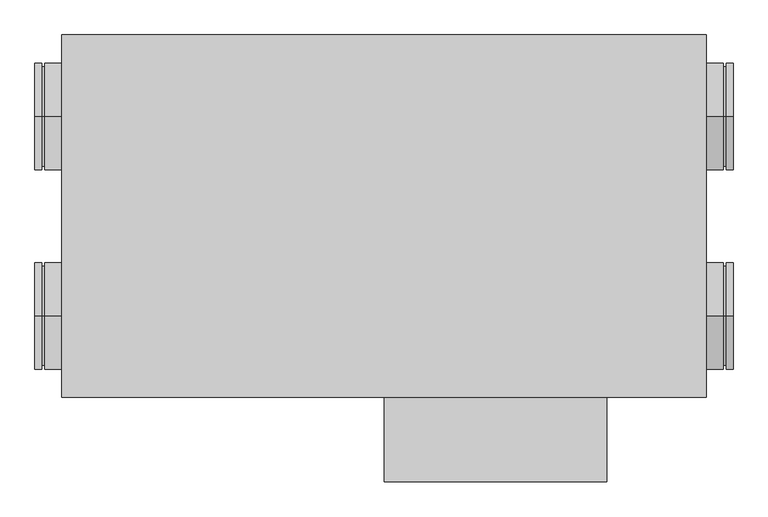
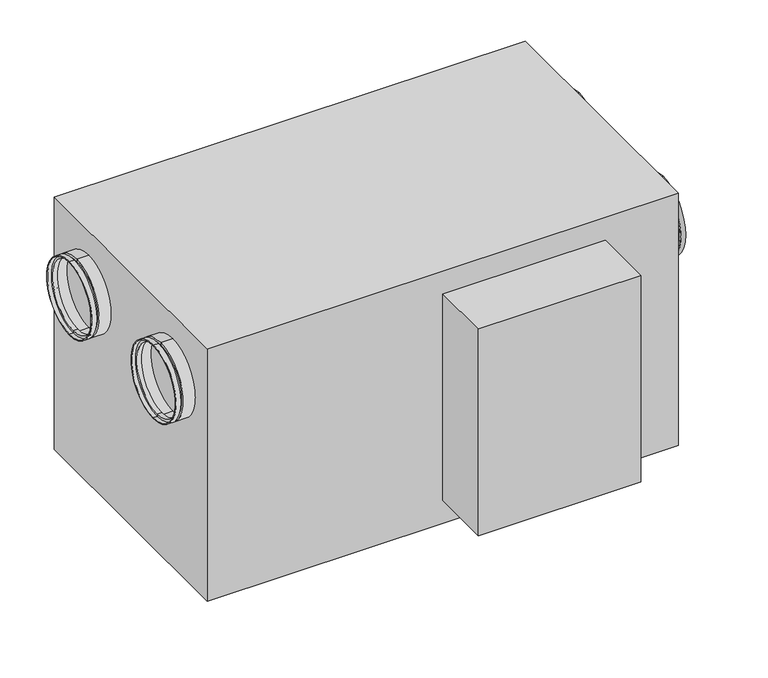
"""IFC4 building model written with IfcOpenShell, lengths in millimetres: proxy geometry."""

import ifcopenshell
import ifcopenshell.guid

model = None  # the IFC model being written
_history = None  # IfcOwnerHistory: only IFC2X3 demands one
_inside = {}  # id of a spatial element -> (the spatial element, [elements in it])
_under = {}  # id of a project, library or spatial element -> (it, [spatial elements below it])
_declared = {}  # id of a project -> (the project, [libraries it declares])
_typed = {}  # id of a type object -> (the type object, [elements of that type])
_made_of = {}  # id of a material, layer set ... -> (it, [elements and type objects made of it])


def new_model(schema):
    """Start an empty IFC model of exactly this schema.

    Asked for "IFC4X3", IfcOpenShell would pick the latest addendum, in which some entities
    have other attributes; the version numbers below select the first issue.
    IFC2X3 requires an IfcOwnerHistory on every rooted entity: one is made here for all.
    """
    global model, _history
    if schema == "IFC4X3":
        model = ifcopenshell.file(schema_version=(4, 3, 0, 0))
    else:
        model = ifcopenshell.file(schema=schema)
    _inside.clear()
    _under.clear()
    _declared.clear()
    _typed.clear()
    _made_of.clear()
    _history = None
    if model.schema == "IFC2X3":
        org = make("IfcOrganization", Name="unknown")
        user = make(
            "IfcPersonAndOrganization",
            ThePerson=make("IfcPerson", FamilyName="unknown"),
            TheOrganization=org,
        )
        app = make(
            "IfcApplication",
            ApplicationDeveloper=org,
            Version="unknown",
            ApplicationFullName="unknown",
            ApplicationIdentifier="unknown",
        )
        _history = make(
            "IfcOwnerHistory",
            OwningUser=user,
            OwningApplication=app,
            ChangeAction="ADDED",
            CreationDate=0,
        )
    return model


def make(cls, **values):
    """One entity of the class cls with the attributes given. An attribute that is None is left unset."""
    return model.create_entity(
        cls, **{name: value for name, value in values.items() if value is not None}
    )


def rooted(cls, **values):
    """An entity with a GlobalId (a new one), such as an element, a storey or a relation."""
    return make(cls, GlobalId=ifcopenshell.guid.new(), OwnerHistory=_history, **values)


def si_unit(unit_type, name, prefix=None):
    """IfcSIUnit, for example si_unit("LENGTHUNIT", "METRE", prefix="MILLI")."""
    return make("IfcSIUnit", UnitType=unit_type, Prefix=prefix, Name=name)


def assignment(units):
    """IfcUnitAssignment: the units of a project."""
    return None if units is None else make("IfcUnitAssignment", Units=units)


def point(xyz):
    """IfcCartesianPoint."""
    return None if xyz is None else make("IfcCartesianPoint", Coordinates=xyz)


def direction(xyz):
    """IfcDirection."""
    return None if xyz is None else make("IfcDirection", DirectionRatios=xyz)


def frame(location, z_axis=None, x_axis=None):
    """IfcAxis2Placement3D, a coordinate frame: its origin and axes. An axis left out is left unset."""
    return make(
        "IfcAxis2Placement3D",
        Location=point(location),
        Axis=direction(z_axis),
        RefDirection=direction(x_axis),
    )


def origin():
    """The frame at (0, 0, 0) with its axes left unset."""
    return frame((0.0, 0.0, 0.0))


def origin_with_axes():
    """The frame at (0, 0, 0) with the z axis (0, 0, 1) and the x axis (1, 0, 0) written out."""
    return frame((0.0, 0.0, 0.0), z_axis=(0.0, 0.0, 1.0), x_axis=(1.0, 0.0, 0.0))


def place(relative_to, where):
    """IfcLocalPlacement: puts the frame where relative to a parent placement (None: the world)."""
    return make(
        "IfcLocalPlacement", PlacementRelTo=relative_to, RelativePlacement=where
    )


def context(
    kind, dimensions, precision=None, world=None, true_north=None, identifier=None
):
    """IfcGeometricRepresentationContext, for example the 3D "Model" context."""
    return make(
        "IfcGeometricRepresentationContext",
        ContextIdentifier=identifier,
        ContextType=kind,
        CoordinateSpaceDimension=dimensions,
        Precision=precision,
        WorldCoordinateSystem=world,
        TrueNorth=true_north,
    )


def project(units=None, contexts=None):
    """IfcProject with its units and contexts."""
    return rooted(
        "IfcProject",
        Name="project",
        RepresentationContexts=contexts,
        UnitsInContext=assignment(units),
    )


def spatial(cls, under=None, at=None, **own):
    """A site, building, storey or space (cls), placed at a placement, below another one or the project."""
    s = rooted(cls, ObjectPlacement=at, **own)
    if under is not None:
        _under.setdefault(under.id(), (under, []))[1].append(s)
    return s


def polyline(points):
    """IfcPolyline through the points."""
    return make("IfcPolyline", Points=[point(p) for p in points])


def circle_curve(where, radius):
    """IfcCircle in the frame where."""
    return make("IfcCircle", Position=where, Radius=radius)


def outline(outer, holes=None, kind="AREA"):
    """IfcArbitraryClosedProfileDef: a profile drawn as a closed curve; with holes, ...WithVoids."""
    if holes is None:
        return make("IfcArbitraryClosedProfileDef", ProfileType=kind, OuterCurve=outer)
    return make(
        "IfcArbitraryProfileDefWithVoids",
        ProfileType=kind,
        OuterCurve=outer,
        InnerCurves=holes,
    )


def extrude(swept, where, along, depth):
    """IfcExtrudedAreaSolid: the profile swept, set in the frame where, extruded along a direction by depth."""
    return make(
        "IfcExtrudedAreaSolid",
        SweptArea=swept,
        Position=where,
        ExtrudedDirection=direction(along),
        Depth=depth,
    )


def shape(context_of_items, identifier, shape_type, items):
    """IfcShapeRepresentation: the items that make up one representation, for example the "Body"."""
    return make(
        "IfcShapeRepresentation",
        ContextOfItems=context_of_items,
        RepresentationIdentifier=identifier,
        RepresentationType=shape_type,
        Items=items,
    )


def source(mapping_origin, context_of_items, identifier, shape_type, items):
    """IfcRepresentationMap: a shape defined once, which mapped items show again and again."""
    return make(
        "IfcRepresentationMap",
        MappingOrigin=mapping_origin,
        MappedRepresentation=shape(context_of_items, identifier, shape_type, items),
    )


def transform(
    local_origin,
    x_axis=None,
    y_axis=None,
    z_axis=None,
    scale=None,
    scale2=None,
    scale3=None,
    uniform=True,
):
    """IfcCartesianTransformationOperator3D, or its non-uniform kind. x_axis, y_axis, z_axis: its Axis1, 2, 3."""
    if uniform:
        return make(
            "IfcCartesianTransformationOperator3D",
            Axis1=direction(x_axis),
            Axis2=direction(y_axis),
            LocalOrigin=point(local_origin),
            Scale=scale,
            Axis3=direction(z_axis),
        )
    return make(
        "IfcCartesianTransformationOperator3DnonUniform",
        Axis1=direction(x_axis),
        Axis2=direction(y_axis),
        LocalOrigin=point(local_origin),
        Scale=scale,
        Axis3=direction(z_axis),
        Scale2=scale2,
        Scale3=scale3,
    )


def mapped(mapping_source, mapping_target):
    """IfcMappedItem: shows the shape of a source again, moved by a transform."""
    return make(
        "IfcMappedItem", MappingSource=mapping_source, MappingTarget=mapping_target
    )


def made_of(thing, what):
    """Note that an element or type object is made of a material, layer set ...; save() writes the relation."""
    if what is not None:
        _made_of.setdefault(what.id(), (what, []))[1].append(thing)
    return thing


def element(
    cls,
    number,
    at=None,
    inside=None,
    cuts=None,
    type_object=None,
    material=None,
    context=None,
    identifier="Body",
    shape_type=None,
    held_by="IfcProductDefinitionShape",
    body=None,
    shapes=None,
    **own,
):
    """One element of the class cls, such as IfcWall. Its Tag is "e" and its number.

    at: its placement. inside: the storey or other place that contains it. cuts: it is an
    opening in that element (IfcRelVoidsElement). A single representation is given by context,
    identifier, shape_type and body (its items); several are given by shapes. held_by: the class
    of the entity that holds the representations. save() writes the other relations.
    """
    e = rooted(cls, Tag="e%d" % number, ObjectPlacement=at, **own)
    if body is not None:
        shapes = [shape(context, identifier, shape_type, body)]
    if shapes is not None:
        e.Representation = make(held_by, Representations=shapes)
    if inside is not None:
        _inside.setdefault(inside.id(), (inside, []))[1].append(e)
    if cuts is not None:
        rooted(
            "IfcRelVoidsElement", RelatingBuildingElement=cuts, RelatedOpeningElement=e
        )
    if type_object is not None:
        _typed.setdefault(type_object.id(), (type_object, []))[1].append(e)
    return made_of(e, material)


def aggregate(whole, parts):
    """IfcRelAggregates: a whole, such as a stair, and the parts it consists of."""
    return rooted("IfcRelAggregates", RelatingObject=whole, RelatedObjects=parts)


def save(model, path):
    """Write the relations noted so far, then the file.

    IfcRelAggregates (storeys below a building ...), IfcRelContainedInSpatialStructure (elements
    in a storey), IfcRelDefinesByType, IfcRelAssociatesMaterial and IfcRelDeclares: one each for
    every whole, place, type object, material and project.
    """
    for whole, parts in _under.values():
        aggregate(whole, parts)
    for where, things in _inside.values():
        rooted(
            "IfcRelContainedInSpatialStructure",
            RelatedElements=things,
            RelatingStructure=where,
        )
    for kind, things in _typed.values():
        rooted("IfcRelDefinesByType", RelatedObjects=things, RelatingType=kind)
    for what, things in _made_of.values():
        rooted("IfcRelAssociatesMaterial", RelatedObjects=things, RelatingMaterial=what)
    for by, libraries in _declared.values():
        rooted("IfcRelDeclares", RelatingContext=by, RelatedDefinitions=libraries)
    model.write(path)


def plane_surface(at):
    """IfcPlane: the flat surface through the origin of the frame at, square to its z axis."""
    return make("IfcPlane", Position=at)


def cylinder_surface(at, radius):
    """IfcCylindricalSurface: all points at the distance radius from the z axis of the frame at."""
    return make("IfcCylindricalSurface", Position=at, Radius=radius)


def revolved_surface(curve, axis_point, axis_direction):
    """IfcSurfaceOfRevolution: the curve turned about the line through axis_point along axis_direction."""
    return make(
        "IfcSurfaceOfRevolution",
        SweptCurve=make("IfcArbitraryOpenProfileDef", ProfileType="CURVE", Curve=curve),
        AxisPosition=make("IfcAxis1Placement", Location=point(axis_point), Axis=direction(axis_direction)),
    )


def advanced_brep(points, edges, surfaces, faces):
    """IfcAdvancedBrep: a solid bounded by faces that lie on surfaces and meet in shared edges.

    An edge is (start, end): straight between two places in points (the first is 0);
    or (start, end, curve); or (start, end, curve, False) where it runs against its curve.
    A face is (place in surfaces, loops), or (place, loops, False) where it looks against
    its surface's normal. A loop lists edges by number (the first is 1), with a minus sign
    where the edge is run from its end to its start. The first loop is the outer one.
    """
    corners = [point(p) for p in points]
    vertices = [make("IfcVertexPoint", VertexGeometry=c) for c in corners]
    made = []
    for start, end, *more in edges:
        made.append(
            make(
                "IfcEdgeCurve",
                EdgeStart=vertices[start],
                EdgeEnd=vertices[end],
                EdgeGeometry=more[0] if more else make("IfcPolyline", Points=[corners[start], corners[end]]),
                SameSense=more[1] if len(more) > 1 else True,
            )
        )
    hull = []
    for where, loops, *sense in faces:
        bounds = []
        for j, loop in enumerate(loops):
            ring = [make("IfcOrientedEdge", EdgeElement=made[abs(k) - 1], Orientation=k > 0) for k in loop]
            bounds.append(
                make(
                    "IfcFaceOuterBound" if j == 0 else "IfcFaceBound",
                    Bound=make("IfcEdgeLoop", EdgeList=ring),
                    Orientation=True,
                )
            )
        hull.append(make("IfcAdvancedFace", Bounds=bounds, FaceSurface=surfaces[where], SameSense=sense[0] if sense else True))
    return make("IfcAdvancedBrep", Outer=make("IfcClosedShell", CfsFaces=hull))


def mechanical_equipment_eaebc0d3(model_context):
    return source(origin(), model_context, "Body", "SolidModel", [
        advanced_brep(
        [(-515.0, -150.0, 498.0), (-515.0, -150.0, 338.0), (-525.0, -150.0, 338.0), (-525.0, -150.0, 498.0), (-515.0, -150.0, 493.0), (-515.0, -150.0, 343.0), (-510.0, -150.0, 493.0), (-510.0, -150.0, 343.0), (-510.0, -150.0, 498.0), (-510.0, -150.0, 338.0), (-485.0, -150.0, 498.0), (-485.0, -150.0, 338.0), (-485.0, -150.0, 496.0), (-485.0, -150.0, 340.0), (-508.0, -150.0, 496.0), (-508.0, -150.0, 340.0), (-508.0, -150.0, 491.0), (-508.0, -150.0, 345.0), (-517.0, -150.0, 491.0), (-517.0, -150.0, 345.0), (-517.0, -150.0, 496.0), (-517.0, -150.0, 340.0), (-525.0, -150.0, 496.0), (-525.0, -150.0, 340.0)],
        [
            (0, 1, circle_curve(frame((-515.0, -150.0, 418.0), z_axis=(-1.0, 0.0, 0.0), x_axis=(0.0, 0.0, -1.0)), 80.0)),
            (1, 2),
            (2, 3, circle_curve(frame((-525.0, -150.0, 418.0), z_axis=(1.0, 0.0, 0.0), x_axis=(0.0, 0.0, -1.0)), 80.0)),
            (3, 0),
            (1, 0, circle_curve(frame((-515.0, -150.0, 418.0), z_axis=(-1.0, 0.0, 0.0), x_axis=(0.0, 0.0, -1.0)), 80.0)),
            (3, 2, circle_curve(frame((-525.0, -150.0, 418.0), z_axis=(1.0, 0.0, 0.0), x_axis=(0.0, 0.0, -1.0)), 80.0)),
            (4, 5, circle_curve(frame((-515.0, -150.0, 418.0), z_axis=(-1.0, 0.0, 0.0), x_axis=(0.0, 0.0, -1.0)), 75.0)),
            (5, 1),
            (0, 4),
            (5, 4, circle_curve(frame((-515.0, -150.0, 418.0), z_axis=(-1.0, 0.0, 0.0), x_axis=(0.0, 0.0, -1.0)), 75.0)),
            (6, 7, circle_curve(frame((-510.0, -150.0, 418.0), z_axis=(-1.0, 0.0, 0.0), x_axis=(0.0, 0.0, -1.0)), 75.0)),
            (7, 5),
            (4, 6),
            (7, 6, circle_curve(frame((-510.0, -150.0, 418.0), z_axis=(-1.0, 0.0, 0.0), x_axis=(0.0, 0.0, -1.0)), 75.0)),
            (8, 9, circle_curve(frame((-510.0, -150.0, 418.0), z_axis=(-1.0, 0.0, 0.0), x_axis=(0.0, 0.0, -1.0)), 80.0)),
            (9, 7),
            (6, 8),
            (9, 8, circle_curve(frame((-510.0, -150.0, 418.0), z_axis=(-1.0, 0.0, 0.0), x_axis=(0.0, 0.0, -1.0)), 80.0)),
            (10, 11, circle_curve(frame((-485.0, -150.0, 418.0), z_axis=(-1.0, 0.0, 0.0), x_axis=(0.0, 0.0, -1.0)), 80.0)),
            (11, 9),
            (8, 10),
            (11, 10, circle_curve(frame((-485.0, -150.0, 418.0), z_axis=(-1.0, 0.0, 0.0), x_axis=(0.0, 0.0, -1.0)), 80.0)),
            (12, 13, circle_curve(frame((-485.0, -150.0, 418.0), z_axis=(-1.0, 0.0, 0.0), x_axis=(0.0, 0.0, -1.0)), 78.0)),
            (13, 11),
            (10, 12),
            (13, 12, circle_curve(frame((-485.0, -150.0, 418.0), z_axis=(-1.0, 0.0, 0.0), x_axis=(0.0, 0.0, -1.0)), 78.0)),
            (14, 15, circle_curve(frame((-508.0, -150.0, 418.0), z_axis=(-1.0, 0.0, 0.0), x_axis=(0.0, 0.0, -1.0)), 78.0)),
            (15, 13),
            (12, 14),
            (15, 14, circle_curve(frame((-508.0, -150.0, 418.0), z_axis=(-1.0, 0.0, 0.0), x_axis=(0.0, 0.0, -1.0)), 78.0)),
            (16, 17, circle_curve(frame((-508.0, -150.0, 418.0), z_axis=(-1.0, 0.0, 0.0), x_axis=(0.0, 0.0, -1.0)), 73.0)),
            (17, 15),
            (14, 16),
            (17, 16, circle_curve(frame((-508.0, -150.0, 418.0), z_axis=(-1.0, 0.0, 0.0), x_axis=(0.0, 0.0, -1.0)), 73.0)),
            (18, 19, circle_curve(frame((-517.0, -150.0, 418.0), z_axis=(-1.0, 0.0, 0.0), x_axis=(0.0, 0.0, -1.0)), 73.0)),
            (19, 17),
            (16, 18),
            (19, 18, circle_curve(frame((-517.0, -150.0, 418.0), z_axis=(-1.0, 0.0, 0.0), x_axis=(0.0, 0.0, -1.0)), 73.0)),
            (20, 21, circle_curve(frame((-517.0, -150.0, 418.0), z_axis=(-1.0, 0.0, 0.0), x_axis=(0.0, 0.0, -1.0)), 78.0)),
            (21, 19),
            (18, 20),
            (21, 20, circle_curve(frame((-517.0, -150.0, 418.0), z_axis=(-1.0, 0.0, 0.0), x_axis=(0.0, 0.0, -1.0)), 78.0)),
            (22, 23, circle_curve(frame((-525.0, -150.0, 418.0), z_axis=(-1.0, 0.0, 0.0), x_axis=(0.0, 0.0, -1.0)), 78.0)),
            (23, 21),
            (20, 22),
            (23, 22, circle_curve(frame((-525.0, -150.0, 418.0), z_axis=(-1.0, 0.0, 0.0), x_axis=(0.0, 0.0, -1.0)), 78.0)),
            (2, 23),
            (22, 3),
        ],
        [
            cylinder_surface(frame((-2060.0440172, -150.0, 418.0), z_axis=(1.0, 0.0, 0.0), x_axis=(0.0, 0.0, -1.0)), 80.0),
            plane_surface(frame((-515.0, -150.0, 418.0), z_axis=(1.0, 0.0, 0.0), x_axis=(0.0, 0.0, -1.0))),
            cylinder_surface(frame((-2060.0440172, -150.0, 418.0), z_axis=(1.0, 0.0, 0.0), x_axis=(0.0, 0.0, -1.0)), 75.0),
            plane_surface(frame((-510.0, -150.0, 418.0), z_axis=(-1.0, 0.0, 0.0), x_axis=(0.0, 0.0, -1.0))),
            plane_surface(frame((-485.0, -150.0, 418.0), z_axis=(1.0, 0.0, 0.0), x_axis=(0.0, 0.0, -1.0))),
            revolved_surface(polyline([(-485.0, -150.0, 340.0), (-508.0, -150.0, 340.0)]), (-2060.0440172, -150.0, 418.0), (1.0, 0.0, 0.0)),
            plane_surface(frame((-508.0, -150.0, 418.0), z_axis=(1.0, 0.0, 0.0), x_axis=(0.0, 0.0, -1.0))),
            revolved_surface(polyline([(-508.0, -150.0, 345.0), (-517.0, -150.0, 345.0)]), (-2060.0440172, -150.0, 418.0), (1.0, 0.0, 0.0)),
            plane_surface(frame((-517.0, -150.0, 418.0), z_axis=(-1.0, 0.0, 0.0), x_axis=(0.0, 0.0, -1.0))),
            revolved_surface(polyline([(-517.0, -150.0, 340.0), (-525.0, -150.0, 340.0)]), (-2060.0440172, -150.0, 418.0), (1.0, 0.0, 0.0)),
            plane_surface(frame((-525.0, -150.0, 418.0), z_axis=(-1.0, 0.0, 0.0), x_axis=(0.0, 0.0, -1.0))),
        ],
        [
            (0, [[1, 2, 3, 4]]),
            (0, [[5, -4, 6, -2]]),
            (1, [[7, 8, -1, 9]]),
            (1, [[10, -9, -5, -8]]),
            (2, [[11, 12, -7, 13]]),
            (2, [[14, -13, -10, -12]]),
            (3, [[15, 16, -11, 17]]),
            (3, [[18, -17, -14, -16]]),
            (0, [[19, 20, -15, 21]]),
            (0, [[22, -21, -18, -20]]),
            (4, [[23, 24, -19, 25]]),
            (4, [[26, -25, -22, -24]]),
            (5, [[27, 28, -23, 29]]),
            (5, [[30, -29, -26, -28]]),
            (6, [[31, 32, -27, 33]]),
            (6, [[34, -33, -30, -32]]),
            (7, [[35, 36, -31, 37]]),
            (7, [[38, -37, -34, -36]]),
            (8, [[39, 40, -35, 41]]),
            (8, [[42, -41, -38, -40]]),
            (9, [[43, 44, -39, 45]]),
            (9, [[46, -45, -42, -44]]),
            (10, [[-3, 47, -43, 48]]),
            (10, [[-6, -48, -46, -47]]),
        ],
    ),
        advanced_brep(
        [(-515.0, 150.0, 498.0), (-515.0, 150.0, 338.0), (-525.0, 150.0, 338.0), (-525.0, 150.0, 498.0), (-515.0, 150.0, 493.0), (-515.0, 150.0, 343.0), (-510.0, 150.0, 493.0), (-510.0, 150.0, 343.0), (-510.0, 150.0, 498.0), (-510.0, 150.0, 338.0), (-485.0, 150.0, 498.0), (-485.0, 150.0, 338.0), (-485.0, 150.0, 496.0), (-485.0, 150.0, 340.0), (-508.0, 150.0, 496.0), (-508.0, 150.0, 340.0), (-508.0, 150.0, 491.0), (-508.0, 150.0, 345.0), (-517.0, 150.0, 491.0), (-517.0, 150.0, 345.0), (-517.0, 150.0, 496.0), (-517.0, 150.0, 340.0), (-525.0, 150.0, 496.0), (-525.0, 150.0, 340.0)],
        [
            (0, 1, circle_curve(frame((-515.0, 150.0, 418.0), z_axis=(-1.0, 0.0, 0.0), x_axis=(0.0, 0.0, -1.0)), 80.0)),
            (1, 2),
            (2, 3, circle_curve(frame((-525.0, 150.0, 418.0), z_axis=(1.0, 0.0, 0.0), x_axis=(0.0, 0.0, -1.0)), 80.0)),
            (3, 0),
            (1, 0, circle_curve(frame((-515.0, 150.0, 418.0), z_axis=(-1.0, 0.0, 0.0), x_axis=(0.0, 0.0, -1.0)), 80.0)),
            (3, 2, circle_curve(frame((-525.0, 150.0, 418.0), z_axis=(1.0, 0.0, 0.0), x_axis=(0.0, 0.0, -1.0)), 80.0)),
            (4, 5, circle_curve(frame((-515.0, 150.0, 418.0), z_axis=(-1.0, 0.0, 0.0), x_axis=(0.0, 0.0, -1.0)), 75.0)),
            (5, 1),
            (0, 4),
            (5, 4, circle_curve(frame((-515.0, 150.0, 418.0), z_axis=(-1.0, 0.0, 0.0), x_axis=(0.0, 0.0, -1.0)), 75.0)),
            (6, 7, circle_curve(frame((-510.0, 150.0, 418.0), z_axis=(-1.0, 0.0, 0.0), x_axis=(0.0, 0.0, -1.0)), 75.0)),
            (7, 5),
            (4, 6),
            (7, 6, circle_curve(frame((-510.0, 150.0, 418.0), z_axis=(-1.0, 0.0, 0.0), x_axis=(0.0, 0.0, -1.0)), 75.0)),
            (8, 9, circle_curve(frame((-510.0, 150.0, 418.0), z_axis=(-1.0, 0.0, 0.0), x_axis=(0.0, 0.0, -1.0)), 80.0)),
            (9, 7),
            (6, 8),
            (9, 8, circle_curve(frame((-510.0, 150.0, 418.0), z_axis=(-1.0, 0.0, 0.0), x_axis=(0.0, 0.0, -1.0)), 80.0)),
            (10, 11, circle_curve(frame((-485.0, 150.0, 418.0), z_axis=(-1.0, 0.0, 0.0), x_axis=(0.0, 0.0, -1.0)), 80.0)),
            (11, 9),
            (8, 10),
            (11, 10, circle_curve(frame((-485.0, 150.0, 418.0), z_axis=(-1.0, 0.0, 0.0), x_axis=(0.0, 0.0, -1.0)), 80.0)),
            (12, 13, circle_curve(frame((-485.0, 150.0, 418.0), z_axis=(-1.0, 0.0, 0.0), x_axis=(0.0, 0.0, -1.0)), 78.0)),
            (13, 11),
            (10, 12),
            (13, 12, circle_curve(frame((-485.0, 150.0, 418.0), z_axis=(-1.0, 0.0, 0.0), x_axis=(0.0, 0.0, -1.0)), 78.0)),
            (14, 15, circle_curve(frame((-508.0, 150.0, 418.0), z_axis=(-1.0, 0.0, 0.0), x_axis=(0.0, 0.0, -1.0)), 78.0)),
            (15, 13),
            (12, 14),
            (15, 14, circle_curve(frame((-508.0, 150.0, 418.0), z_axis=(-1.0, 0.0, 0.0), x_axis=(0.0, 0.0, -1.0)), 78.0)),
            (16, 17, circle_curve(frame((-508.0, 150.0, 418.0), z_axis=(-1.0, 0.0, 0.0), x_axis=(0.0, 0.0, -1.0)), 73.0)),
            (17, 15),
            (14, 16),
            (17, 16, circle_curve(frame((-508.0, 150.0, 418.0), z_axis=(-1.0, 0.0, 0.0), x_axis=(0.0, 0.0, -1.0)), 73.0)),
            (18, 19, circle_curve(frame((-517.0, 150.0, 418.0), z_axis=(-1.0, 0.0, 0.0), x_axis=(0.0, 0.0, -1.0)), 73.0)),
            (19, 17),
            (16, 18),
            (19, 18, circle_curve(frame((-517.0, 150.0, 418.0), z_axis=(-1.0, 0.0, 0.0), x_axis=(0.0, 0.0, -1.0)), 73.0)),
            (20, 21, circle_curve(frame((-517.0, 150.0, 418.0), z_axis=(-1.0, 0.0, 0.0), x_axis=(0.0, 0.0, -1.0)), 78.0)),
            (21, 19),
            (18, 20),
            (21, 20, circle_curve(frame((-517.0, 150.0, 418.0), z_axis=(-1.0, 0.0, 0.0), x_axis=(0.0, 0.0, -1.0)), 78.0)),
            (22, 23, circle_curve(frame((-525.0, 150.0, 418.0), z_axis=(-1.0, 0.0, 0.0), x_axis=(0.0, 0.0, -1.0)), 78.0)),
            (23, 21),
            (20, 22),
            (23, 22, circle_curve(frame((-525.0, 150.0, 418.0), z_axis=(-1.0, 0.0, 0.0), x_axis=(0.0, 0.0, -1.0)), 78.0)),
            (2, 23),
            (22, 3),
        ],
        [
            cylinder_surface(frame((-2060.0440172, 150.0, 418.0), z_axis=(1.0, 0.0, 0.0), x_axis=(0.0, 0.0, -1.0)), 80.0),
            plane_surface(frame((-515.0, 150.0, 418.0), z_axis=(1.0, 0.0, 0.0), x_axis=(0.0, 0.0, -1.0))),
            cylinder_surface(frame((-2060.0440172, 150.0, 418.0), z_axis=(1.0, 0.0, 0.0), x_axis=(0.0, 0.0, -1.0)), 75.0),
            plane_surface(frame((-510.0, 150.0, 418.0), z_axis=(-1.0, 0.0, 0.0), x_axis=(0.0, 0.0, -1.0))),
            plane_surface(frame((-485.0, 150.0, 418.0), z_axis=(1.0, 0.0, 0.0), x_axis=(0.0, 0.0, -1.0))),
            revolved_surface(polyline([(-485.0, 150.0, 340.0), (-508.0, 150.0, 340.0)]), (-2060.0440172, 150.0, 418.0), (1.0, 0.0, 0.0)),
            plane_surface(frame((-508.0, 150.0, 418.0), z_axis=(1.0, 0.0, 0.0), x_axis=(0.0, 0.0, -1.0))),
            revolved_surface(polyline([(-508.0, 150.0, 345.0), (-517.0, 150.0, 345.0)]), (-2060.0440172, 150.0, 418.0), (1.0, 0.0, 0.0)),
            plane_surface(frame((-517.0, 150.0, 418.0), z_axis=(-1.0, 0.0, 0.0), x_axis=(0.0, 0.0, -1.0))),
            revolved_surface(polyline([(-517.0, 150.0, 340.0), (-525.0, 150.0, 340.0)]), (-2060.0440172, 150.0, 418.0), (1.0, 0.0, 0.0)),
            plane_surface(frame((-525.0, 150.0, 418.0), z_axis=(-1.0, 0.0, 0.0), x_axis=(0.0, 0.0, -1.0))),
        ],
        [
            (0, [[1, 2, 3, 4]]),
            (0, [[5, -4, 6, -2]]),
            (1, [[7, 8, -1, 9]]),
            (1, [[10, -9, -5, -8]]),
            (2, [[11, 12, -7, 13]]),
            (2, [[14, -13, -10, -12]]),
            (3, [[15, 16, -11, 17]]),
            (3, [[18, -17, -14, -16]]),
            (0, [[19, 20, -15, 21]]),
            (0, [[22, -21, -18, -20]]),
            (4, [[23, 24, -19, 25]]),
            (4, [[26, -25, -22, -24]]),
            (5, [[27, 28, -23, 29]]),
            (5, [[30, -29, -26, -28]]),
            (6, [[31, 32, -27, 33]]),
            (6, [[34, -33, -30, -32]]),
            (7, [[35, 36, -31, 37]]),
            (7, [[38, -37, -34, -36]]),
            (8, [[39, 40, -35, 41]]),
            (8, [[42, -41, -38, -40]]),
            (9, [[43, 44, -39, 45]]),
            (9, [[46, -45, -42, -44]]),
            (10, [[-3, 47, -43, 48]]),
            (10, [[-6, -48, -46, -47]]),
        ],
    ),
        advanced_brep(
        [(515.0, 150.0, 338.0), (515.0, 150.0, 498.0), (525.0, 150.0, 498.0), (525.0, 150.0, 338.0), (515.0, 150.0, 343.0), (515.0, 150.0, 493.0), (510.0, 150.0, 343.0), (510.0, 150.0, 493.0), (510.0, 150.0, 338.0), (510.0, 150.0, 498.0), (485.0, 150.0, 338.0), (485.0, 150.0, 498.0), (485.0, 150.0, 340.0), (485.0, 150.0, 496.0), (508.0, 150.0, 340.0), (508.0, 150.0, 496.0), (508.0, 150.0, 345.0), (508.0, 150.0, 491.0), (517.0, 150.0, 345.0), (517.0, 150.0, 491.0), (517.0, 150.0, 340.0), (517.0, 150.0, 496.0), (525.0, 150.0, 340.0), (525.0, 150.0, 496.0)],
        [
            (0, 1, circle_curve(frame((515.0, 150.0, 418.0), z_axis=(1.0, 0.0, 0.0), x_axis=(0.0, 0.0, 1.0)), 80.0)),
            (1, 2),
            (2, 3, circle_curve(frame((525.0, 150.0, 418.0), z_axis=(-1.0, 0.0, 0.0), x_axis=(0.0, 0.0, 1.0)), 80.0)),
            (3, 0),
            (1, 0, circle_curve(frame((515.0, 150.0, 418.0), z_axis=(1.0, 0.0, 0.0), x_axis=(0.0, 0.0, 1.0)), 80.0)),
            (3, 2, circle_curve(frame((525.0, 150.0, 418.0), z_axis=(-1.0, 0.0, 0.0), x_axis=(0.0, 0.0, 1.0)), 80.0)),
            (4, 5, circle_curve(frame((515.0, 150.0, 418.0), z_axis=(1.0, 0.0, 0.0), x_axis=(0.0, 0.0, 1.0)), 75.0)),
            (5, 1),
            (0, 4),
            (5, 4, circle_curve(frame((515.0, 150.0, 418.0), z_axis=(1.0, 0.0, 0.0), x_axis=(0.0, 0.0, 1.0)), 75.0)),
            (6, 7, circle_curve(frame((510.0, 150.0, 418.0), z_axis=(1.0, 0.0, 0.0), x_axis=(0.0, 0.0, 1.0)), 75.0)),
            (7, 5),
            (4, 6),
            (7, 6, circle_curve(frame((510.0, 150.0, 418.0), z_axis=(1.0, 0.0, 0.0), x_axis=(0.0, 0.0, 1.0)), 75.0)),
            (8, 9, circle_curve(frame((510.0, 150.0, 418.0), z_axis=(1.0, 0.0, 0.0), x_axis=(0.0, 0.0, 1.0)), 80.0)),
            (9, 7),
            (6, 8),
            (9, 8, circle_curve(frame((510.0, 150.0, 418.0), z_axis=(1.0, 0.0, 0.0), x_axis=(0.0, 0.0, 1.0)), 80.0)),
            (10, 11, circle_curve(frame((485.0, 150.0, 418.0), z_axis=(1.0, 0.0, 0.0), x_axis=(0.0, 0.0, 1.0)), 80.0)),
            (11, 9),
            (8, 10),
            (11, 10, circle_curve(frame((485.0, 150.0, 418.0), z_axis=(1.0, 0.0, 0.0), x_axis=(0.0, 0.0, 1.0)), 80.0)),
            (12, 13, circle_curve(frame((485.0, 150.0, 418.0), z_axis=(1.0, 0.0, 0.0), x_axis=(0.0, 0.0, 1.0)), 78.0)),
            (13, 11),
            (10, 12),
            (13, 12, circle_curve(frame((485.0, 150.0, 418.0), z_axis=(1.0, 0.0, 0.0), x_axis=(0.0, 0.0, 1.0)), 78.0)),
            (14, 15, circle_curve(frame((508.0, 150.0, 418.0), z_axis=(1.0, 0.0, 0.0), x_axis=(0.0, 0.0, 1.0)), 78.0)),
            (15, 13),
            (12, 14),
            (15, 14, circle_curve(frame((508.0, 150.0, 418.0), z_axis=(1.0, 0.0, 0.0), x_axis=(0.0, 0.0, 1.0)), 78.0)),
            (16, 17, circle_curve(frame((508.0, 150.0, 418.0), z_axis=(1.0, 0.0, 0.0), x_axis=(0.0, 0.0, 1.0)), 73.0)),
            (17, 15),
            (14, 16),
            (17, 16, circle_curve(frame((508.0, 150.0, 418.0), z_axis=(1.0, 0.0, 0.0), x_axis=(0.0, 0.0, 1.0)), 73.0)),
            (18, 19, circle_curve(frame((517.0, 150.0, 418.0), z_axis=(1.0, 0.0, 0.0), x_axis=(0.0, 0.0, 1.0)), 73.0)),
            (19, 17),
            (16, 18),
            (19, 18, circle_curve(frame((517.0, 150.0, 418.0), z_axis=(1.0, 0.0, 0.0), x_axis=(0.0, 0.0, 1.0)), 73.0)),
            (20, 21, circle_curve(frame((517.0, 150.0, 418.0), z_axis=(1.0, 0.0, 0.0), x_axis=(0.0, 0.0, 1.0)), 78.0)),
            (21, 19),
            (18, 20),
            (21, 20, circle_curve(frame((517.0, 150.0, 418.0), z_axis=(1.0, 0.0, 0.0), x_axis=(0.0, 0.0, 1.0)), 78.0)),
            (22, 23, circle_curve(frame((525.0, 150.0, 418.0), z_axis=(1.0, 0.0, 0.0), x_axis=(0.0, 0.0, 1.0)), 78.0)),
            (23, 21),
            (20, 22),
            (23, 22, circle_curve(frame((525.0, 150.0, 418.0), z_axis=(1.0, 0.0, 0.0), x_axis=(0.0, 0.0, 1.0)), 78.0)),
            (2, 23),
            (22, 3),
        ],
        [
            cylinder_surface(frame((2060.0440172, 150.0, 418.0), z_axis=(-1.0, 0.0, 0.0), x_axis=(0.0, 0.0, 1.0)), 80.0),
            plane_surface(frame((515.0, 150.0, 418.0), z_axis=(-1.0, 0.0, 0.0), x_axis=(0.0, 0.0, 1.0))),
            cylinder_surface(frame((2060.0440172, 150.0, 418.0), z_axis=(-1.0, 0.0, 0.0), x_axis=(0.0, 0.0, 1.0)), 75.0),
            plane_surface(frame((510.0, 150.0, 418.0), z_axis=(1.0, 0.0, 0.0), x_axis=(0.0, 0.0, 1.0))),
            plane_surface(frame((485.0, 150.0, 418.0), z_axis=(-1.0, 0.0, 0.0), x_axis=(0.0, 0.0, 1.0))),
            revolved_surface(polyline([(485.0, 150.0, 496.0), (508.0, 150.0, 496.0)]), (2060.0440172, 150.0, 418.0), (-1.0, 0.0, 0.0)),
            plane_surface(frame((508.0, 150.0, 418.0), z_axis=(-1.0, 0.0, 0.0), x_axis=(0.0, 0.0, 1.0))),
            revolved_surface(polyline([(508.0, 150.0, 491.0), (517.0, 150.0, 491.0)]), (2060.0440172, 150.0, 418.0), (-1.0, 0.0, 0.0)),
            plane_surface(frame((517.0, 150.0, 418.0), z_axis=(1.0, 0.0, 0.0), x_axis=(0.0, 0.0, 1.0))),
            revolved_surface(polyline([(517.0, 150.0, 496.0), (525.0, 150.0, 496.0)]), (2060.0440172, 150.0, 418.0), (-1.0, 0.0, 0.0)),
            plane_surface(frame((525.0, 150.0, 418.0), z_axis=(1.0, 0.0, 0.0), x_axis=(0.0, 0.0, 1.0))),
        ],
        [
            (0, [[1, 2, 3, 4]]),
            (0, [[5, -4, 6, -2]]),
            (1, [[7, 8, -1, 9]]),
            (1, [[10, -9, -5, -8]]),
            (2, [[11, 12, -7, 13]]),
            (2, [[14, -13, -10, -12]]),
            (3, [[15, 16, -11, 17]]),
            (3, [[18, -17, -14, -16]]),
            (0, [[19, 20, -15, 21]]),
            (0, [[22, -21, -18, -20]]),
            (4, [[23, 24, -19, 25]]),
            (4, [[26, -25, -22, -24]]),
            (5, [[27, 28, -23, 29]]),
            (5, [[30, -29, -26, -28]]),
            (6, [[31, 32, -27, 33]]),
            (6, [[34, -33, -30, -32]]),
            (7, [[35, 36, -31, 37]]),
            (7, [[38, -37, -34, -36]]),
            (8, [[39, 40, -35, 41]]),
            (8, [[42, -41, -38, -40]]),
            (9, [[43, 44, -39, 45]]),
            (9, [[46, -45, -42, -44]]),
            (10, [[-3, 47, -43, 48]]),
            (10, [[-6, -48, -46, -47]]),
        ],
    ),
        advanced_brep(
        [(515.0, -150.0, 338.0), (515.0, -150.0, 498.0), (525.0, -150.0, 498.0), (525.0, -150.0, 338.0), (515.0, -150.0, 343.0), (515.0, -150.0, 493.0), (510.0, -150.0, 343.0), (510.0, -150.0, 493.0), (510.0, -150.0, 338.0), (510.0, -150.0, 498.0), (485.0, -150.0, 338.0), (485.0, -150.0, 498.0), (485.0, -150.0, 340.0), (485.0, -150.0, 496.0), (508.0, -150.0, 340.0), (508.0, -150.0, 496.0), (508.0, -150.0, 345.0), (508.0, -150.0, 491.0), (517.0, -150.0, 345.0), (517.0, -150.0, 491.0), (517.0, -150.0, 340.0), (517.0, -150.0, 496.0), (525.0, -150.0, 340.0), (525.0, -150.0, 496.0)],
        [
            (0, 1, circle_curve(frame((515.0, -150.0, 418.0), z_axis=(1.0, 0.0, 0.0), x_axis=(0.0, 0.0, 1.0)), 80.0)),
            (1, 2),
            (2, 3, circle_curve(frame((525.0, -150.0, 418.0), z_axis=(-1.0, 0.0, 0.0), x_axis=(0.0, 0.0, 1.0)), 80.0)),
            (3, 0),
            (1, 0, circle_curve(frame((515.0, -150.0, 418.0), z_axis=(1.0, 0.0, 0.0), x_axis=(0.0, 0.0, 1.0)), 80.0)),
            (3, 2, circle_curve(frame((525.0, -150.0, 418.0), z_axis=(-1.0, 0.0, 0.0), x_axis=(0.0, 0.0, 1.0)), 80.0)),
            (4, 5, circle_curve(frame((515.0, -150.0, 418.0), z_axis=(1.0, 0.0, 0.0), x_axis=(0.0, 0.0, 1.0)), 75.0)),
            (5, 1),
            (0, 4),
            (5, 4, circle_curve(frame((515.0, -150.0, 418.0), z_axis=(1.0, 0.0, 0.0), x_axis=(0.0, 0.0, 1.0)), 75.0)),
            (6, 7, circle_curve(frame((510.0, -150.0, 418.0), z_axis=(1.0, 0.0, 0.0), x_axis=(0.0, 0.0, 1.0)), 75.0)),
            (7, 5),
            (4, 6),
            (7, 6, circle_curve(frame((510.0, -150.0, 418.0), z_axis=(1.0, 0.0, 0.0), x_axis=(0.0, 0.0, 1.0)), 75.0)),
            (8, 9, circle_curve(frame((510.0, -150.0, 418.0), z_axis=(1.0, 0.0, 0.0), x_axis=(0.0, 0.0, 1.0)), 80.0)),
            (9, 7),
            (6, 8),
            (9, 8, circle_curve(frame((510.0, -150.0, 418.0), z_axis=(1.0, 0.0, 0.0), x_axis=(0.0, 0.0, 1.0)), 80.0)),
            (10, 11, circle_curve(frame((485.0, -150.0, 418.0), z_axis=(1.0, 0.0, 0.0), x_axis=(0.0, 0.0, 1.0)), 80.0)),
            (11, 9),
            (8, 10),
            (11, 10, circle_curve(frame((485.0, -150.0, 418.0), z_axis=(1.0, 0.0, 0.0), x_axis=(0.0, 0.0, 1.0)), 80.0)),
            (12, 13, circle_curve(frame((485.0, -150.0, 418.0), z_axis=(1.0, 0.0, 0.0), x_axis=(0.0, 0.0, 1.0)), 78.0)),
            (13, 11),
            (10, 12),
            (13, 12, circle_curve(frame((485.0, -150.0, 418.0), z_axis=(1.0, 0.0, 0.0), x_axis=(0.0, 0.0, 1.0)), 78.0)),
            (14, 15, circle_curve(frame((508.0, -150.0, 418.0), z_axis=(1.0, 0.0, 0.0), x_axis=(0.0, 0.0, 1.0)), 78.0)),
            (15, 13),
            (12, 14),
            (15, 14, circle_curve(frame((508.0, -150.0, 418.0), z_axis=(1.0, 0.0, 0.0), x_axis=(0.0, 0.0, 1.0)), 78.0)),
            (16, 17, circle_curve(frame((508.0, -150.0, 418.0), z_axis=(1.0, 0.0, 0.0), x_axis=(0.0, 0.0, 1.0)), 73.0)),
            (17, 15),
            (14, 16),
            (17, 16, circle_curve(frame((508.0, -150.0, 418.0), z_axis=(1.0, 0.0, 0.0), x_axis=(0.0, 0.0, 1.0)), 73.0)),
            (18, 19, circle_curve(frame((517.0, -150.0, 418.0), z_axis=(1.0, 0.0, 0.0), x_axis=(0.0, 0.0, 1.0)), 73.0)),
            (19, 17),
            (16, 18),
            (19, 18, circle_curve(frame((517.0, -150.0, 418.0), z_axis=(1.0, 0.0, 0.0), x_axis=(0.0, 0.0, 1.0)), 73.0)),
            (20, 21, circle_curve(frame((517.0, -150.0, 418.0), z_axis=(1.0, 0.0, 0.0), x_axis=(0.0, 0.0, 1.0)), 78.0)),
            (21, 19),
            (18, 20),
            (21, 20, circle_curve(frame((517.0, -150.0, 418.0), z_axis=(1.0, 0.0, 0.0), x_axis=(0.0, 0.0, 1.0)), 78.0)),
            (22, 23, circle_curve(frame((525.0, -150.0, 418.0), z_axis=(1.0, 0.0, 0.0), x_axis=(0.0, 0.0, 1.0)), 78.0)),
            (23, 21),
            (20, 22),
            (23, 22, circle_curve(frame((525.0, -150.0, 418.0), z_axis=(1.0, 0.0, 0.0), x_axis=(0.0, 0.0, 1.0)), 78.0)),
            (2, 23),
            (22, 3),
        ],
        [
            cylinder_surface(frame((2060.0440172, -150.0, 418.0), z_axis=(-1.0, 0.0, 0.0), x_axis=(0.0, 0.0, 1.0)), 80.0),
            plane_surface(frame((515.0, -150.0, 418.0), z_axis=(-1.0, 0.0, 0.0), x_axis=(0.0, 0.0, 1.0))),
            cylinder_surface(frame((2060.0440172, -150.0, 418.0), z_axis=(-1.0, 0.0, 0.0), x_axis=(0.0, 0.0, 1.0)), 75.0),
            plane_surface(frame((510.0, -150.0, 418.0), z_axis=(1.0, 0.0, 0.0), x_axis=(0.0, 0.0, 1.0))),
            plane_surface(frame((485.0, -150.0, 418.0), z_axis=(-1.0, 0.0, 0.0), x_axis=(0.0, 0.0, 1.0))),
            revolved_surface(polyline([(485.0, -150.0, 496.0), (508.0, -150.0, 496.0)]), (2060.0440172, -150.0, 418.0), (-1.0, 0.0, 0.0)),
            plane_surface(frame((508.0, -150.0, 418.0), z_axis=(-1.0, 0.0, 0.0), x_axis=(0.0, 0.0, 1.0))),
            revolved_surface(polyline([(508.0, -150.0, 491.0), (517.0, -150.0, 491.0)]), (2060.0440172, -150.0, 418.0), (-1.0, 0.0, 0.0)),
            plane_surface(frame((517.0, -150.0, 418.0), z_axis=(1.0, 0.0, 0.0), x_axis=(0.0, 0.0, 1.0))),
            revolved_surface(polyline([(517.0, -150.0, 496.0), (525.0, -150.0, 496.0)]), (2060.0440172, -150.0, 418.0), (-1.0, 0.0, 0.0)),
            plane_surface(frame((525.0, -150.0, 418.0), z_axis=(1.0, 0.0, 0.0), x_axis=(0.0, 0.0, 1.0))),
        ],
        [
            (0, [[1, 2, 3, 4]]),
            (0, [[5, -4, 6, -2]]),
            (1, [[7, 8, -1, 9]]),
            (1, [[10, -9, -5, -8]]),
            (2, [[11, 12, -7, 13]]),
            (2, [[14, -13, -10, -12]]),
            (3, [[15, 16, -11, 17]]),
            (3, [[18, -17, -14, -16]]),
            (0, [[19, 20, -15, 21]]),
            (0, [[22, -21, -18, -20]]),
            (4, [[23, 24, -19, 25]]),
            (4, [[26, -25, -22, -24]]),
            (5, [[27, 28, -23, 29]]),
            (5, [[30, -29, -26, -28]]),
            (6, [[31, 32, -27, 33]]),
            (6, [[34, -33, -30, -32]]),
            (7, [[35, 36, -31, 37]]),
            (7, [[38, -37, -34, -36]]),
            (8, [[39, 40, -35, 41]]),
            (8, [[42, -41, -38, -40]]),
            (9, [[43, 44, -39, 45]]),
            (9, [[46, -45, -42, -44]]),
            (10, [[-3, 47, -43, 48]]),
            (10, [[-6, -48, -46, -47]]),
        ],
    ),
        extrude(outline(polyline([(-485.0, 272.5), (485.0, 272.5), (485.0, -272.5), (-485.0, -272.5), (-485.0, 272.5)])), origin_with_axes(), (0.0, 0.0, 1.0), 550.0),
        extrude(outline(polyline([(335.0, -399.5), (0.0, -399.5), (0.0, -272.5), (335.0, -272.5), (335.0, -399.5)])), frame((0.0, 0.0, 50.0), z_axis=(0.0, 0.0, 1.0), x_axis=(1.0, 0.0, 0.0)), (0.0, 0.0, 1.0), 450.0),
    ])


if __name__ == "__main__":
    model = new_model("IFC4")
    model_context = context("Model", 3, world=origin())
    ifc_project = project(units=[si_unit("LENGTHUNIT", "METRE", prefix="MILLI")], contexts=[model_context])
    site = spatial("IfcSite", under=ifc_project)
    building = spatial("IfcBuilding", under=site)
    placement = place(None, origin())
    mechanical_equipment_shape = mechanical_equipment_eaebc0d3(model_context)
    element("IfcBuildingElementProxy", 1, Name="Mechanical Equipment", at=placement, inside=building, context=model_context, shape_type="MappedRepresentation", body=[
        mapped(mechanical_equipment_shape, transform((0.0, 0.0, 0.0), x_axis=(1.0, 0.0, 0.0), y_axis=(0.0, 1.0, 0.0), z_axis=(0.0, 0.0, 1.0))),
    ])
    save(model, "model.ifc")
